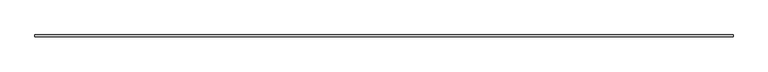
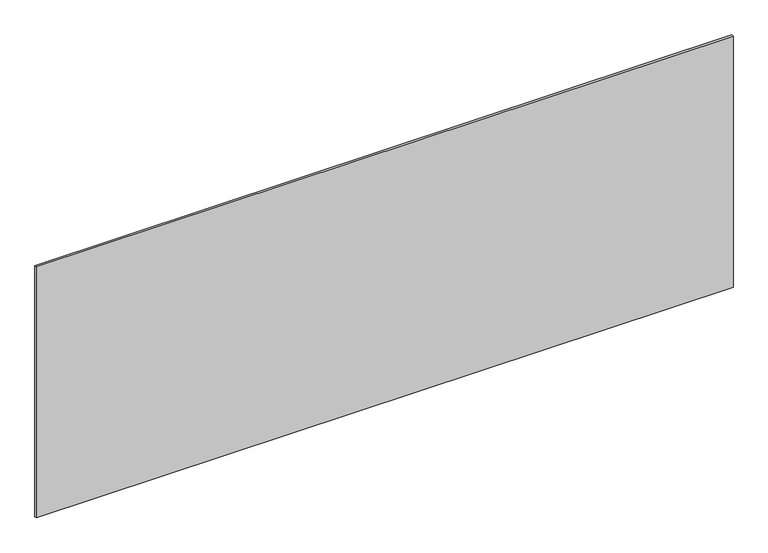
"""IFC4 building model written with IfcOpenShell, lengths in millimetres: plate geometry."""

from ifc_helpers import new_model, si_unit, origin, origin_with_axes, place, context, project, spatial, polyline, outline, extrude, source, transform, mapped, element, save


def plate_ecbe10b4(model_context):
    return source(origin(), model_context, "Body", "SweptSolid", [
        extrude(outline(polyline([(1697.5, -5.0), (-1697.5, -5.0), (-1697.5, 5.0), (1697.5, 5.0), (1697.5, -5.0)])), origin_with_axes(), (0.0, 0.0, 1.0), 1292.5856382),
    ])


if __name__ == "__main__":
    model = new_model("IFC4")
    model_context = context("Model", 3, world=origin())
    ifc_project = project(units=[si_unit("LENGTHUNIT", "METRE", prefix="MILLI")], contexts=[model_context])
    site = spatial("IfcSite", under=ifc_project)
    building = spatial("IfcBuilding", under=site)
    placement = place(None, origin())
    plate_shape = plate_ecbe10b4(model_context)
    element("IfcPlate", 1, at=placement, inside=building, context=model_context, shape_type="MappedRepresentation", body=[
        mapped(plate_shape, transform((0.0, 0.0, 0.0), x_axis=(1.0, 0.0, 0.0), y_axis=(0.0, 1.0, 0.0), z_axis=(0.0, 0.0, 1.0))),
    ])
    save(model, "model.ifc")
